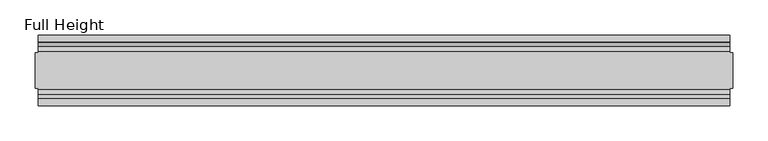
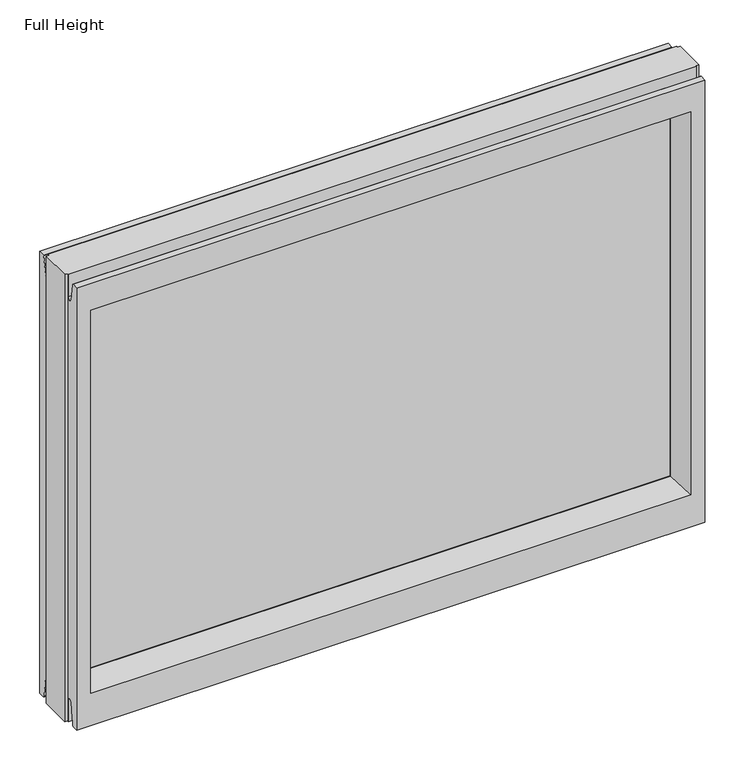
"""IFC4 building model written with IfcOpenShell, lengths in millimetres: plate geometry, Full Height."""

from ifc_helpers import new_model, si_unit, frame, origin, place, context, project, spatial, polyline, circle_curve, outline, extrude, source, transform, mapped, element, save
from ifc_brep_helpers import plane_surface, cylinder_surface, revolved_surface, advanced_brep


def full_height_865c41ab(model_context):
    return source(origin(), model_context, "Body", "SolidModel", [
        advanced_brep(
        [(495.2999988, 25.146, 739.14), (490.7279988, 25.146, 739.14), (490.7279988, 26.67, 739.14), (-490.7279988, 26.67, 739.14), (-490.7279988, 25.146, 739.14), (-495.2999988, 25.146, 739.14), (-495.2999988, -25.146, 739.14), (-490.7279988, -25.146, 739.14), (-490.7279988, -26.67, 739.14), (490.7279988, -26.67, 739.14), (490.7279988, -25.146, 739.14), (495.2999988, -25.146, 739.14), (495.2999988, 25.146, 0.0), (495.2999988, -25.146, 0.0), (490.7279988, -25.146, 0.0), (490.7279988, -26.67, 0.0), (-490.7279988, -26.67, 0.0), (-490.7279988, -25.146, 0.0), (-495.2999988, -25.146, 0.0), (-495.2999988, 25.146, 0.0), (-490.7279988, 25.146, 0.0), (-490.7279988, 26.67, 0.0), (490.7279988, 26.67, 0.0), (490.7279988, 25.146, 0.0), (-490.7279988, 40.7946686, 0.0), (-490.7279988, 50.0, 0.0), (490.7279988, 50.0, 0.0), (490.7279988, 40.7946686, 0.0), (-490.7279988, 26.67, 36.4542208), (490.7279988, 26.67, 36.4542208), (-490.7279988, -26.67, 36.4542208), (-490.7279988, -34.2686707, 36.8568054), (-490.7279988, -36.9464913, 11.6561909), (-490.7279988, -39.043018, 8.6755976), (-490.7279988, -39.5246686, 7.9074686), (-490.7279988, -39.5246686, 1.27), (-490.7279988, -40.7946686, 0.0), (-490.7279988, -50.0, 0.0), (-490.7279988, -50.0, 729.996), (-490.7279988, -39.9371387, 729.996), (-490.7279988, -39.1867152, 729.3663199), (-490.7279988, -34.2321175, 701.2674004), (-490.7279988, -26.67, 701.929), (-490.7279988, 39.5246686, 1.27), (-490.7279988, 39.5246686, 7.9074686), (-490.7279988, 39.043018, 8.6755976), (-490.7279988, 36.9464913, 11.6561909), (-490.7279988, 34.2686707, 36.8568054), (-490.7279988, 26.67, 701.929), (-490.7279988, 34.2321175, 701.2674004), (-490.7279988, 39.1867152, 729.3663199), (-490.7279988, 39.9371387, 729.996), (-490.7279988, 50.0, 729.996), (490.7279988, -50.0, 0.0), (490.7279988, -50.0, 729.996), (-468.6299988, -50.0, 685.419), (468.6299988, -50.0, 685.419), (468.6299988, -50.0, 52.8372208), (-468.6299988, -50.0, 52.8372208), (490.7279988, 50.0, 729.996), (-468.6299988, 50.0, 52.8372208), (468.6299988, 50.0, 52.8372208), (468.6299988, 50.0, 685.419), (-468.6299988, 50.0, 685.419), (-462.6609988, -6.1006519, 58.8062208), (-462.6609988, -6.1006519, 679.45), (-462.6609988, 6.1006519, 679.45), (-462.6609988, 6.1006519, 58.8062208), (462.6609988, 6.1006519, 58.8062208), (462.6609988, 6.1006519, 679.45), (462.6609988, -6.1006519, 679.45), (462.6609988, -6.1006519, 58.8062208), (490.7279988, -40.7946686, 0.0), (490.7279988, -39.5246686, 1.27), (490.7279988, -39.5246686, 7.9074686), (490.7279988, -39.043018, 8.6755976), (490.7279988, -36.9464913, 11.6561909), (490.7279988, -34.2686707, 36.8568054), (490.7279988, -26.67, 36.4542208), (490.7279988, -26.67, 701.929), (490.7279988, -34.2321175, 701.2674004), (490.7279988, -39.1867152, 729.3663199), (490.7279988, -39.9371387, 729.996), (490.7279988, 39.9371387, 729.996), (490.7279988, 39.1867152, 729.3663199), (490.7279988, 34.2321175, 701.2674004), (490.7279988, 26.67, 701.929), (490.7279988, 34.2686707, 36.8568054), (490.7279988, 36.9464913, 11.6561909), (490.7279988, 39.043018, 8.6755976), (490.7279988, 39.5246686, 7.9074686), (490.7279988, 39.5246686, 1.27)],
        [
            (0, 1),
            (1, 2),
            (2, 3),
            (3, 4),
            (4, 5),
            (5, 6),
            (6, 7),
            (7, 8),
            (8, 9),
            (9, 10),
            (10, 11),
            (11, 0),
            (12, 13),
            (13, 14),
            (14, 15),
            (15, 16),
            (16, 17),
            (17, 18),
            (18, 19),
            (19, 20),
            (20, 21),
            (21, 22),
            (22, 23),
            (23, 12),
            (23, 1),
            (0, 12),
            (10, 14),
            (13, 11),
            (5, 19),
            (18, 6),
            (17, 7),
            (4, 20),
            (24, 25),
            (25, 26),
            (26, 27),
            (27, 24),
            (21, 28),
            (28, 29),
            (29, 22),
            (16, 30),
            (30, 31, circle_curve(frame((-490.7279988, -30.48, 36.4542208), z_axis=(1.0, 0.0, 0.0), x_axis=(0.0, -1.0, 0.0)), 3.81)),
            (31, 32),
            (32, 33, circle_curve(frame((-490.7279988, -40.6770502, 12.0526006), z_axis=(-1.0, 0.0, 0.0), x_axis=(0.0, -1.0, 0.0)), 3.751561)),
            (33, 34, circle_curve(frame((-490.7279988, -38.671343, 7.9074686), z_axis=(1.0, 0.0, 0.0), x_axis=(0.0, -1.0, 0.0)), 0.8533256)),
            (34, 35),
            (35, 36, circle_curve(frame((-490.7279988, -40.7946686, 1.27), z_axis=(-1.0, 0.0, 0.0), x_axis=(0.0, -1.0, 0.0)), 1.27)),
            (36, 37),
            (37, 38),
            (38, 39),
            (39, 40, circle_curve(frame((-490.7279988, -39.9371387, 729.234), z_axis=(-1.0, 0.0, 0.0), x_axis=(0.0, -1.0, 0.0)), 0.762)),
            (40, 41),
            (41, 42, circle_curve(frame((-490.7279988, -30.48, 701.929), z_axis=(1.0, 0.0, 0.0), x_axis=(0.0, -1.0, 0.0)), 3.81)),
            (42, 8),
            (24, 43, circle_curve(frame((-490.7279988, 40.7946686, 1.27), z_axis=(-1.0, 0.0, 0.0), x_axis=(0.0, -1.0, 0.0)), 1.27)),
            (43, 44),
            (44, 45, circle_curve(frame((-490.7279988, 38.671343, 7.9074686), z_axis=(1.0, 0.0, 0.0), x_axis=(0.0, -1.0, 0.0)), 0.8533256)),
            (45, 46, circle_curve(frame((-490.7279988, 40.6770502, 12.0526006), z_axis=(-1.0, 0.0, 0.0), x_axis=(0.0, -1.0, 0.0)), 3.751561)),
            (46, 47),
            (47, 28, circle_curve(frame((-490.7279988, 30.48, 36.4542208), z_axis=(1.0, 0.0, 0.0), x_axis=(0.0, -1.0, 0.0)), 3.81)),
            (3, 48),
            (48, 49, circle_curve(frame((-490.7279988, 30.48, 701.929), z_axis=(1.0, 0.0, 0.0), x_axis=(0.0, -1.0, 0.0)), 3.81)),
            (49, 50),
            (50, 51, circle_curve(frame((-490.7279988, 39.9371387, 729.234), z_axis=(-1.0, 0.0, 0.0), x_axis=(0.0, -1.0, 0.0)), 0.762)),
            (51, 52),
            (52, 25),
            (37, 53),
            (53, 54),
            (54, 38),
            (55, 56),
            (56, 57),
            (57, 58),
            (58, 55),
            (52, 59),
            (59, 26),
            (60, 61),
            (61, 62),
            (62, 63),
            (63, 60),
            (58, 64),
            (64, 65),
            (65, 55),
            (63, 66),
            (66, 67),
            (67, 60),
            (61, 68),
            (68, 69),
            (69, 62),
            (70, 71),
            (71, 57),
            (56, 70),
            (53, 72),
            (72, 73, circle_curve(frame((490.7279988, -40.7946686, 1.27), z_axis=(1.0, 0.0, 0.0), x_axis=(0.0, -1.0, 0.0)), 1.27)),
            (73, 74),
            (74, 75, circle_curve(frame((490.7279988, -38.671343, 7.9074686), z_axis=(-1.0, 0.0, 0.0), x_axis=(0.0, -1.0, 0.0)), 0.8533256)),
            (75, 76, circle_curve(frame((490.7279988, -40.6770502, 12.0526006), z_axis=(1.0, 0.0, 0.0), x_axis=(0.0, -1.0, 0.0)), 3.751561)),
            (76, 77),
            (77, 78, circle_curve(frame((490.7279988, -30.48, 36.4542208), z_axis=(-1.0, 0.0, 0.0), x_axis=(0.0, -1.0, 0.0)), 3.81)),
            (78, 15),
            (9, 79),
            (79, 80, circle_curve(frame((490.7279988, -30.48, 701.929), z_axis=(-1.0, 0.0, 0.0), x_axis=(0.0, -1.0, 0.0)), 3.81)),
            (80, 81),
            (81, 82, circle_curve(frame((490.7279988, -39.9371387, 729.234), z_axis=(1.0, 0.0, 0.0), x_axis=(0.0, -1.0, 0.0)), 0.762)),
            (82, 54),
            (59, 83),
            (83, 84, circle_curve(frame((490.7279988, 39.9371387, 729.234), z_axis=(1.0, 0.0, 0.0), x_axis=(0.0, -1.0, 0.0)), 0.762)),
            (84, 85),
            (85, 86, circle_curve(frame((490.7279988, 30.48, 701.929), z_axis=(-1.0, 0.0, 0.0), x_axis=(0.0, -1.0, 0.0)), 3.81)),
            (86, 2),
            (29, 87, circle_curve(frame((490.7279988, 30.48, 36.4542208), z_axis=(-1.0, 0.0, 0.0), x_axis=(0.0, -1.0, 0.0)), 3.81)),
            (87, 88),
            (88, 89, circle_curve(frame((490.7279988, 40.6770502, 12.0526006), z_axis=(1.0, 0.0, 0.0), x_axis=(0.0, -1.0, 0.0)), 3.751561)),
            (89, 90, circle_curve(frame((490.7279988, 38.671343, 7.9074686), z_axis=(-1.0, 0.0, 0.0), x_axis=(0.0, -1.0, 0.0)), 0.8533256)),
            (90, 91),
            (91, 27, circle_curve(frame((490.7279988, 40.7946686, 1.27), z_axis=(1.0, 0.0, 0.0), x_axis=(0.0, -1.0, 0.0)), 1.27)),
            (91, 43),
            (90, 44),
            (89, 45),
            (88, 46),
            (87, 47),
            (78, 30),
            (31, 77),
            (76, 32),
            (75, 33),
            (74, 34),
            (73, 35),
            (72, 36),
            (71, 64),
            (67, 68),
            (86, 48),
            (85, 49),
            (84, 50),
            (83, 51),
            (69, 66),
            (65, 70),
            (82, 39),
            (81, 40),
            (80, 41),
            (79, 42),
            (65, 66),
            (69, 70),
            (71, 68),
            (67, 64),
        ],
        [
            plane_surface(frame((490.7279988, 25.146, 739.14), z_axis=(0.0, 0.0, 1.0), x_axis=(-1.0, 0.0, 0.0))),
            plane_surface(frame((490.7279988, 25.146, 0.0), z_axis=(0.0, 0.0, -1.0), x_axis=(1.0, 0.0, 0.0))),
            plane_surface(frame((495.2999988, 25.146, 739.14), z_axis=(0.0, 1.0, 0.0), x_axis=(0.0, 0.0, -1.0))),
            plane_surface(frame((490.7279988, -25.146, 739.14), z_axis=(0.0, -1.0, 0.0), x_axis=(0.0, 0.0, -1.0))),
            plane_surface(frame((495.2999988, -25.146, 739.14), z_axis=(1.0, 0.0, 0.0), x_axis=(0.0, 0.0, -1.0))),
            plane_surface(frame((-495.2999988, 25.146, 739.14), z_axis=(-1.0, 0.0, 0.0), x_axis=(0.0, 0.0, -1.0))),
            plane_surface(frame((-495.2999988, -25.146, 739.14), z_axis=(0.0, -1.0, 0.0), x_axis=(0.0, 0.0, -1.0))),
            plane_surface(frame((-490.7279988, 25.146, 739.14), z_axis=(0.0, 1.0, 0.0), x_axis=(0.0, 0.0, -1.0))),
            plane_surface(frame((-490.7279988, 50.0, 0.0), z_axis=(0.0, 0.0, -1.0), x_axis=(1.0, 0.0, 0.0))),
            plane_surface(frame((-490.7279988, 26.67, 36.4542208), z_axis=(0.0, 1.0, 0.0), x_axis=(1.0, 0.0, 0.0))),
            plane_surface(frame((-490.7279988, 50.0, 697.2046), z_axis=(-1.0, 0.0, 0.0), x_axis=(0.0, 0.0, -1.0))),
            plane_surface(frame((-490.7279988, -50.0, 697.2046), z_axis=(0.0, -1.0, 0.0), x_axis=(0.0, 0.0, -1.0))),
            plane_surface(frame((-468.6299988, 50.0, 697.2046), z_axis=(0.0, 1.0, 0.0), x_axis=(0.0, 0.0, -1.0))),
            plane_surface(frame((-468.6299988, -50.0, 697.2046), z_axis=(0.9908822943533606, -0.13473039277393942, 0.0), x_axis=(0.0, 0.0, -1.0))),
            plane_surface(frame((-462.6609988, 6.1006519, 697.2046), z_axis=(0.9908822943533612, 0.13473039277393595, 0.0), x_axis=(0.0, 0.0, -1.0))),
            plane_surface(frame((468.6299988, 50.0, 697.2046), z_axis=(-0.9908822943533605, 0.1347303927739403, 0.0), x_axis=(0.0, 0.0, -1.0))),
            plane_surface(frame((462.6609988, -6.1006519, 697.2046), z_axis=(-0.9908822943533563, -0.13473039277397156, 0.0), x_axis=(0.0, 0.0, -1.0))),
            plane_surface(frame((490.7279988, -50.0, 697.2046), z_axis=(1.0, 0.0, 0.0), x_axis=(0.0, 0.0, -1.0))),
            cylinder_surface(frame((490.7279988, 40.7946686, 1.27), z_axis=(-1.0, 0.0, 0.0), x_axis=(0.0, -1.0, 0.0)), 1.27),
            plane_surface(frame((-490.7279988, 39.5246686, 1.27), z_axis=(0.0, -1.0, 0.0), x_axis=(1.0, 0.0, 0.0))),
            revolved_surface(polyline([(490.7279988, 37.8180174, 7.9074686), (-490.7279988, 37.8180174, 7.9074686)]), (490.7279988, 38.671343, 7.9074686), (1.0, 0.0, 0.0)),
            cylinder_surface(frame((490.7279988, 40.6770502, 12.0526006), z_axis=(-1.0, 0.0, 0.0), x_axis=(0.0, -1.0, 0.0)), 3.751561),
            plane_surface(frame((-490.7279988, 36.9464913, 11.6561909), z_axis=(0.0, -0.9944017560866673, -0.10566526151840257), x_axis=(1.0, 0.0, 0.0))),
            plane_surface(frame((-490.7279988, -26.67, 0.0), z_axis=(0.0, -1.0, 0.0), x_axis=(1.0, 0.0, 0.0))),
            plane_surface(frame((-490.7279988, -34.2686707, 36.8568054), z_axis=(0.0, 0.9944017560866222, -0.10566526151882655), x_axis=(1.0, 0.0, 0.0))),
            cylinder_surface(frame((490.7279988, -40.6770502, 12.0526006), z_axis=(-1.0, 0.0, 0.0), x_axis=(0.0, -1.0, 0.0)), 3.751561),
            revolved_surface(polyline([(490.7279988, -39.5246686, 7.9074686), (-490.7279988, -39.5246686, 7.9074686)]), (490.7279988, -38.671343, 7.9074686), (1.0, 0.0, 0.0)),
            plane_surface(frame((-490.7279988, -39.5246686, 7.9074686), z_axis=(0.0, 1.0, 0.0), x_axis=(1.0, 0.0, 0.0))),
            cylinder_surface(frame((490.7279988, -40.7946686, 1.27), z_axis=(-1.0, 0.0, 0.0), x_axis=(0.0, -1.0, 0.0)), 1.27),
            plane_surface(frame((-490.7279988, -40.7946686, 0.0), z_axis=(0.0, 0.0, -1.0), x_axis=(1.0, 0.0, 0.0))),
            plane_surface(frame((-490.7279988, -50.0, 52.8372208), z_axis=(0.0, -0.13473039277394738, 0.9908822943533596), x_axis=(1.0, 0.0, 0.0))),
            plane_surface(frame((-490.7279988, 6.1006519, 58.8062208), z_axis=(0.0, 0.13473039277399934, 0.9908822943533526), x_axis=(1.0, 0.0, 0.0))),
            revolved_surface(polyline([(490.7279988, 26.67, 36.4542208), (-490.7279988, 26.67, 36.4542208)]), (490.7279988, 30.48, 36.4542208), (1.0, 0.0, 0.0)),
            revolved_surface(polyline([(490.7279988, -34.29, 36.4542208), (-490.7279988, -34.29, 36.4542208)]), (490.7279988, -30.48, 36.4542208), (1.0, 0.0, 0.0)),
            plane_surface(frame((-490.7279988, 26.67, 739.14), z_axis=(0.0, 1.0, 0.0), x_axis=(1.0, 0.0, 0.0))),
            revolved_surface(polyline([(490.7279988, 26.67, 701.929), (-490.7279988, 26.67, 701.929)]), (-495.2999988, 30.48, 701.929), (1.0, 0.0, 0.0)),
            plane_surface(frame((-490.7279988, 34.2321175, 701.2674004), z_axis=(0.0, -0.9848077530113104, 0.17364817767202162), x_axis=(1.0, 0.0, 0.0))),
            cylinder_surface(frame((-495.2999988, 39.9371387, 729.234), z_axis=(-1.0, 0.0, 0.0), x_axis=(0.0, -1.0, 0.0)), 0.762),
            plane_surface(frame((-490.7279988, 39.9371387, 729.996), z_axis=(0.0, 0.0, 1.0), x_axis=(1.0, 0.0, 0.0))),
            plane_surface(frame((-490.7279988, 50.0, 685.419), z_axis=(0.0, 0.1347303927734858, -0.9908822943534225), x_axis=(1.0, 0.0, 0.0))),
            plane_surface(frame((-490.7279988, -6.1006519, 679.45), z_axis=(0.0, -0.13473039277251259, -0.9908822943535547), x_axis=(1.0, 0.0, 0.0))),
            plane_surface(frame((-490.7279988, -50.0, 729.996), z_axis=(0.0, 0.0, 1.0), x_axis=(1.0, 0.0, 0.0))),
            cylinder_surface(frame((-495.2999988, -39.9371387, 729.234), z_axis=(-1.0, 0.0, 0.0), x_axis=(0.0, -1.0, 0.0)), 0.762),
            plane_surface(frame((-490.7279988, -39.1867152, 729.3663199), z_axis=(0.0, 0.9848077530103843, 0.17364817767727403), x_axis=(1.0, 0.0, 0.0))),
            revolved_surface(polyline([(490.7279988, -34.29, 701.929), (-490.7279988, -34.29, 701.929)]), (-495.2999988, -30.48, 701.929), (1.0, 0.0, 0.0)),
            plane_surface(frame((-490.7279988, -26.67, 701.929), z_axis=(0.0, -1.0, 0.0), x_axis=(1.0, 0.0, 0.0))),
            plane_surface(frame((-490.7279988, 6.1006519, 679.45), z_axis=(0.0, 0.0, -1.0), x_axis=(1.0, 0.0, 0.0))),
            plane_surface(frame((-490.7279988, -6.1006519, 58.8062208), z_axis=(0.0, 0.0, 1.0), x_axis=(1.0, 0.0, 0.0))),
            plane_surface(frame((-462.6609988, -6.1006519, 697.2046), z_axis=(1.0, 0.0, 0.0), x_axis=(0.0, 0.0, -1.0))),
            plane_surface(frame((462.6609988, 6.1006519, 697.2046), z_axis=(-1.0, 0.0, 0.0), x_axis=(0.0, 0.0, -1.0))),
        ],
        [
            (0, [[1, 2, 3, 4, 5, 6, 7, 8, 9, 10, 11, 12]]),
            (1, [[13, 14, 15, 16, 17, 18, 19, 20, 21, 22, 23, 24]]),
            (2, [[25, -1, 26, -24]]),
            (3, [[-11, 27, -14, 28]]),
            (4, [[-12, -28, -13, -26]]),
            (5, [[-6, 29, -19, 30]]),
            (6, [[31, -7, -30, -18]]),
            (7, [[-5, 32, -20, -29]]),
            (8, [[33, 34, 35, 36]]),
            (9, [[37, 38, 39, -22]]),
            (10, [[-17, 40, 41, 42, 43, 44, 45, 46, 47, 48, 49, 50, 51, 52, 53, -8, -31]]),
            (10, [[-33, 54, 55, 56, 57, 58, 59, -37, -21, -32, -4, 60, 61, 62, 63, 64, 65]]),
            (11, [[-48, 66, 67, 68], [69, 70, 71, 72]]),
            (12, [[-65, 73, 74, -34], [75, 76, 77, 78]]),
            (13, [[-72, 79, 80, 81]]),
            (14, [[-78, 82, 83, 84]]),
            (15, [[-76, 85, 86, 87]]),
            (16, [[88, 89, -70, 90]]),
            (17, [[-67, 91, 92, 93, 94, 95, 96, 97, 98, -15, -27, -10, 99, 100, 101, 102, 103]]),
            (17, [[-74, 104, 105, 106, 107, 108, -2, -25, -23, -39, 109, 110, 111, 112, 113, 114, -35]]),
            (18, [[-54, -36, -114, 115]]),
            (19, [[-55, -115, -113, 116]]),
            (20, [[-56, -116, -112, 117]]),
            (21, [[-57, -117, -111, 118]]),
            (22, [[-58, -118, -110, 119]]),
            (23, [[-40, -16, -98, 120]]),
            (24, [[-42, 121, -96, 122]]),
            (25, [[-43, -122, -95, 123]]),
            (26, [[-44, -123, -94, 124]]),
            (27, [[-45, -124, -93, 125]]),
            (28, [[-46, -125, -92, 126]]),
            (29, [[-47, -126, -91, -66]]),
            (30, [[-71, -89, 127, -79]]),
            (31, [[-75, -84, 128, -85]]),
            (32, [[-59, -119, -109, -38]]),
            (33, [[-41, -120, -97, -121]]),
            (34, [[-60, -3, -108, 129]]),
            (35, [[-61, -129, -107, 130]]),
            (36, [[-62, -130, -106, 131]]),
            (37, [[-63, -131, -105, 132]]),
            (38, [[-64, -132, -104, -73]]),
            (39, [[-77, -87, 133, -82]]),
            (40, [[-69, -81, 134, -90]]),
            (41, [[-49, -68, -103, 135]]),
            (42, [[-50, -135, -102, 136]]),
            (43, [[-51, -136, -101, 137]]),
            (44, [[-52, -137, -100, 138]]),
            (45, [[-53, -138, -99, -9]]),
            (46, [[-134, 139, -133, 140]]),
            (47, [[-127, 141, -128, 142]]),
            (48, [[-83, -139, -80, -142]]),
            (49, [[-88, -140, -86, -141]]),
        ],
    ),
        extrude(outline(polyline([(-462.6609988, 4.826), (462.6609988, 4.826), (462.6609988, -4.826), (-462.6609988, -4.826), (-462.6609988, 4.826)])), frame((0.0, 0.0, 58.8062208), z_axis=(0.0, 0.0, 1.0), x_axis=(1.0, 0.0, 0.0)), (0.0, 0.0, 1.0), 620.6437792),
    ])


if __name__ == "__main__":
    model = new_model("IFC4")
    model_context = context("Model", 3, world=origin())
    ifc_project = project(units=[si_unit("LENGTHUNIT", "METRE", prefix="MILLI")], contexts=[model_context])
    site = spatial("IfcSite", under=ifc_project)
    building = spatial("IfcBuilding", under=site)
    placement = place(None, origin())
    full_height_shape = full_height_865c41ab(model_context)
    element("IfcPlate", 1, ObjectType="Full Height", at=placement, inside=building, context=model_context, shape_type="MappedRepresentation", body=[
        mapped(full_height_shape, transform((0.0, 0.0, 0.0), x_axis=(1.0, 0.0, 0.0), y_axis=(0.0, 1.0, 0.0), z_axis=(0.0, 0.0, 1.0))),
    ])
    save(model, "model.ifc")
